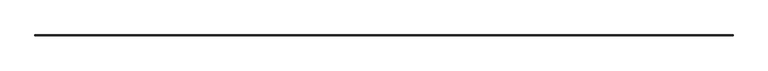
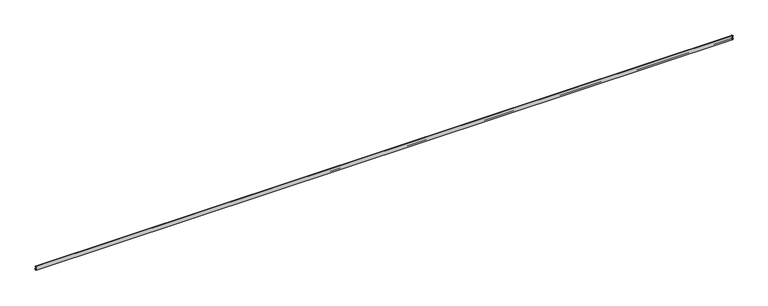
"""IFC4 building model written with IfcOpenShell, lengths in millimetres: railing geometry."""

from ifc_helpers import new_model, si_unit, frame, origin, place, context, project, spatial, polyline, circle_curve, ellipse_curve, source, transform, mapped, element, save
from ifc_brep_helpers import plane_surface, cylinder_surface, revolved_surface, advanced_brep


def railing_77345214(model_context):
    return source(origin(), model_context, "Body", "AdvancedBrep", [
        advanced_brep(
        [(25099.3178131, 72151.8280435, 833.0370183), (25100.1115631, 72152.6217935, 832.2432683), (6760.8211807, 72152.6217935, 832.2432683), (6761.6149307, 72151.8280435, 833.0370183), (25100.1115631, 72152.6217935, 830.6557683), (6760.8211807, 72152.6217935, 830.6557683), (25099.3178131, 72151.8280435, 829.8620183), (6761.6149307, 72151.8280435, 829.8620183), (25091.3803131, 72143.8905435, 829.8620183), (6769.5524307, 72143.8905435, 829.8620183), (25090.5865631, 72143.0967935, 830.6557683), (6770.3461807, 72143.0967935, 830.6557683), (25090.5865631, 72143.0967935, 832.2432683), (6770.3461807, 72143.0967935, 832.2432683), (25091.3803131, 72143.8905435, 833.0370183), (6769.5524307, 72143.8905435, 833.0370183), (25099.3178131, 72126.1828523, 833.0370183), (25091.3803131, 72126.1828523, 833.0370183), (25090.5865631, 72126.1828523, 832.2432683), (25090.5865631, 72126.1828523, 830.6557683), (25091.3803131, 72126.1828523, 829.8620183), (25099.3178131, 72126.1828523, 829.8620183), (25100.1115631, 72126.1828523, 830.6557683), (25100.1115631, 72126.1828523, 832.2432683), (6761.6149307, 72126.1828523, 833.0370183), (6760.8211807, 72126.1828523, 832.2432683), (6760.8211807, 72126.1828523, 830.6557683), (6761.6149307, 72126.1828523, 829.8620183), (6769.5524307, 72126.1828523, 829.8620183), (6770.3461807, 72126.1828523, 830.6557683), (6770.3461807, 72126.1828523, 832.2432683), (6769.5524307, 72126.1828523, 833.0370183)],
        [
            (0, 1, ellipse_curve(frame((25099.3178131, 72151.8280435, 832.2432683), z_axis=(-0.7071067811865461, 0.7071067811865488, 0.0), x_axis=(0.7071067811865489, 0.707106781186546, 0.0)), 1.122532, 0.79375)),
            (1, 2),
            (2, 3, ellipse_curve(frame((6761.6149307, 72151.8280435, 832.2432683), z_axis=(0.7071067811865488, 0.7071067811865461, 0.0), x_axis=(0.7071067811865462, -0.7071067811865487, 0.0)), 1.122532, 0.79375)),
            (3, 0),
            (1, 4),
            (4, 5),
            (5, 2),
            (4, 6, ellipse_curve(frame((25099.3178131, 72151.8280435, 830.6557683), z_axis=(-0.7071067811865461, 0.7071067811865488, 0.0), x_axis=(0.7071067811865489, 0.707106781186546, 0.0)), 1.122532, 0.79375)),
            (6, 7),
            (7, 5, ellipse_curve(frame((6761.6149307, 72151.8280435, 830.6557683), z_axis=(0.7071067811865488, 0.7071067811865461, 0.0), x_axis=(0.7071067811865462, -0.7071067811865487, 0.0)), 1.122532, 0.79375)),
            (6, 8),
            (8, 9),
            (9, 7),
            (8, 10, ellipse_curve(frame((25091.3803131, 72143.8905435, 830.6557683), z_axis=(-0.7071067811865461, 0.7071067811865488, 0.0), x_axis=(0.7071067811865489, 0.707106781186546, 0.0)), 1.122532, 0.79375)),
            (10, 11),
            (11, 9, ellipse_curve(frame((6769.5524307, 72143.8905435, 830.6557683), z_axis=(0.7071067811865488, 0.7071067811865461, 0.0), x_axis=(0.7071067811865462, -0.7071067811865487, 0.0)), 1.122532, 0.79375)),
            (10, 12),
            (12, 13),
            (13, 11),
            (12, 14, ellipse_curve(frame((25091.3803131, 72143.8905435, 832.2432683), z_axis=(-0.7071067811865461, 0.7071067811865488, 0.0), x_axis=(0.7071067811865489, 0.707106781186546, 0.0)), 1.122532, 0.79375)),
            (14, 15),
            (15, 13, ellipse_curve(frame((6769.5524307, 72143.8905435, 832.2432683), z_axis=(0.7071067811865488, 0.7071067811865461, 0.0), x_axis=(0.7071067811865462, -0.7071067811865487, 0.0)), 1.122532, 0.79375)),
            (14, 0),
            (3, 15),
            (16, 17),
            (17, 18, circle_curve(frame((25091.3803131, 72126.1828523, 832.2432683), z_axis=(0.0, -1.0, 0.0), x_axis=(-1.0, 0.0, 0.0)), 0.79375)),
            (18, 19),
            (19, 20, circle_curve(frame((25091.3803131, 72126.1828523, 830.6557683), z_axis=(0.0, -1.0, 0.0), x_axis=(0.0, 0.0, -1.0)), 0.79375)),
            (20, 21),
            (21, 22, circle_curve(frame((25099.3178131, 72126.1828523, 830.6557683), z_axis=(0.0, -1.0, 0.0), x_axis=(1.0, 0.0, 0.0)), 0.79375)),
            (22, 23),
            (23, 16, circle_curve(frame((25099.3178131, 72126.1828523, 832.2432683), z_axis=(0.0, -1.0, 0.0), x_axis=(0.0, 0.0, 1.0)), 0.79375)),
            (24, 25, circle_curve(frame((6761.6149307, 72126.1828523, 832.2432683), z_axis=(0.0, -1.0, 0.0), x_axis=(0.0, 0.0, 1.0)), 0.79375)),
            (25, 26),
            (26, 27, circle_curve(frame((6761.6149307, 72126.1828523, 830.6557683), z_axis=(0.0, -1.0, 0.0), x_axis=(-1.0, 0.0, 0.0)), 0.79375)),
            (27, 28),
            (28, 29, circle_curve(frame((6769.5524307, 72126.1828523, 830.6557683), z_axis=(0.0, -1.0, 0.0), x_axis=(0.0, 0.0, -1.0)), 0.79375)),
            (29, 30),
            (30, 31, circle_curve(frame((6769.5524307, 72126.1828523, 832.2432683), z_axis=(0.0, -1.0, 0.0), x_axis=(1.0, 0.0, 0.0)), 0.79375)),
            (31, 24),
            (16, 0),
            (14, 17),
            (12, 18),
            (10, 19),
            (8, 20),
            (6, 21),
            (4, 22),
            (1, 23),
            (3, 24),
            (31, 15),
            (30, 13),
            (29, 11),
            (28, 9),
            (27, 7),
            (26, 5),
            (25, 2),
        ],
        [
            cylinder_surface(frame((25074.4663719, 72151.8280435, 832.2432683), z_axis=(1.0, 0.0, 0.0), x_axis=(0.0, 0.0, 1.0)), 0.79375),
            plane_surface(frame((25100.1115631, 72152.6217935, 830.6557683), z_axis=(0.0, 1.0, 0.0), x_axis=(-1.0, 0.0, 0.0))),
            cylinder_surface(frame((25074.4663719, 72151.8280435, 830.6557683), z_axis=(1.0, 0.0, 0.0), x_axis=(0.0, 1.0, 0.0)), 0.79375),
            plane_surface(frame((25091.3803131, 72143.8905435, 829.8620183), z_axis=(0.0, 0.0, -1.0), x_axis=(-1.0, 0.0, 0.0))),
            cylinder_surface(frame((25074.4663719, 72143.8905435, 830.6557683), z_axis=(1.0, 0.0, 0.0), x_axis=(0.0, 0.0, -1.0)), 0.79375),
            plane_surface(frame((25090.5865631, 72143.0967935, 832.2432683), z_axis=(0.0, -1.0, 0.0), x_axis=(-1.0, 0.0, 0.0))),
            cylinder_surface(frame((25074.4663719, 72143.8905435, 832.2432683), z_axis=(1.0, 0.0, 0.0), x_axis=(0.0, -1.0, 0.0)), 0.79375),
            plane_surface(frame((25099.3178131, 72151.8280435, 833.0370183), z_axis=(0.0, 0.0, 1.0), x_axis=(-1.0, 0.0, 0.0))),
            plane_surface(frame((25074.4663719, 72126.1828523, 914.4), z_axis=(0.0, -1.0, 0.0), x_axis=(0.0, 0.0, 1.0))),
            plane_surface(frame((6786.4663719, 72126.1828523, 914.4), z_axis=(0.0, -1.0, 0.0), x_axis=(0.0, 0.0, -1.0))),
            plane_surface(frame((25099.3178131, 72126.1828523, 833.0370183), z_axis=(0.0, 0.0, 1.0), x_axis=(0.0, 1.0, 0.0))),
            cylinder_surface(frame((25091.3803131, 72126.1828523, 832.2432683), z_axis=(0.0, -1.0, 0.0), x_axis=(-1.0, 0.0, 0.0)), 0.79375),
            plane_surface(frame((25090.5865631, 72126.1828523, 832.2432683), z_axis=(-1.0, 0.0, 0.0), x_axis=(0.0, 1.0, 0.0))),
            cylinder_surface(frame((25091.3803131, 72126.1828523, 830.6557683), z_axis=(0.0, -1.0, 0.0), x_axis=(0.0, 0.0, -1.0)), 0.79375),
            plane_surface(frame((25091.3803131, 72126.1828523, 829.8620183), z_axis=(0.0, 0.0, -1.0), x_axis=(0.0, 1.0, 0.0))),
            cylinder_surface(frame((25099.3178131, 72126.1828523, 830.6557683), z_axis=(0.0, -1.0, 0.0), x_axis=(1.0, 0.0, 0.0)), 0.79375),
            plane_surface(frame((25100.1115631, 72126.1828523, 830.6557683), z_axis=(1.0, 0.0, 0.0), x_axis=(0.0, 1.0, 0.0))),
            cylinder_surface(frame((25099.3178131, 72126.1828523, 832.2432683), z_axis=(0.0, -1.0, 0.0), x_axis=(0.0, 0.0, 1.0)), 0.79375),
            plane_surface(frame((6761.6149307, 72151.8280435, 833.0370183), z_axis=(0.0, 0.0, 1.0), x_axis=(0.0, -1.0, 0.0))),
            cylinder_surface(frame((6769.5524307, 72126.9766023, 832.2432683), z_axis=(0.0, 1.0, 0.0), x_axis=(1.0, 0.0, 0.0)), 0.79375),
            plane_surface(frame((6770.3461807, 72143.0967935, 832.2432683), z_axis=(1.0, 0.0, 0.0), x_axis=(0.0, -1.0, 0.0))),
            cylinder_surface(frame((6769.5524307, 72126.9766023, 830.6557683), z_axis=(0.0, 1.0, 0.0), x_axis=(0.0, 0.0, -1.0)), 0.79375),
            plane_surface(frame((6769.5524307, 72143.8905435, 829.8620183), z_axis=(0.0, 0.0, -1.0), x_axis=(0.0, -1.0, 0.0))),
            cylinder_surface(frame((6761.6149307, 72126.9766023, 830.6557683), z_axis=(0.0, 1.0, 0.0), x_axis=(-1.0, 0.0, 0.0)), 0.79375),
            plane_surface(frame((6760.8211807, 72152.6217935, 830.6557683), z_axis=(-1.0, 0.0, 0.0), x_axis=(0.0, -1.0, 0.0))),
            cylinder_surface(frame((6761.6149307, 72126.9766023, 832.2432683), z_axis=(0.0, 1.0, 0.0), x_axis=(0.0, 0.0, 1.0)), 0.79375),
        ],
        [
            (0, [[1, 2, 3, 4]]),
            (1, [[5, 6, 7, -2]]),
            (2, [[8, 9, 10, -6]]),
            (3, [[11, 12, 13, -9]]),
            (4, [[14, 15, 16, -12]]),
            (5, [[17, 18, 19, -15]]),
            (6, [[20, 21, 22, -18]]),
            (7, [[23, -4, 24, -21]]),
            (8, [[25, 26, 27, 28, 29, 30, 31, 32]]),
            (9, [[33, 34, 35, 36, 37, 38, 39, 40]]),
            (10, [[-25, 41, -23, 42]]),
            (11, [[-26, -42, -20, 43]]),
            (12, [[-27, -43, -17, 44]]),
            (13, [[-28, -44, -14, 45]]),
            (14, [[-29, -45, -11, 46]]),
            (15, [[-30, -46, -8, 47]]),
            (16, [[-31, -47, -5, 48]]),
            (17, [[-32, -48, -1, -41]]),
            (18, [[-24, 49, -40, 50]]),
            (19, [[-22, -50, -39, 51]]),
            (20, [[-19, -51, -38, 52]]),
            (21, [[-16, -52, -37, 53]]),
            (22, [[-13, -53, -36, 54]]),
            (23, [[-10, -54, -35, 55]]),
            (24, [[-7, -55, -34, 56]]),
            (25, [[-3, -56, -33, -49]]),
        ],
    ),
        advanced_brep(
        [(25096.9235713, 72126.1828523, 838.1946672), (25084.8450539, 72126.1828523, 880.857434), (25085.3739098, 72126.1828523, 881.7316951), (25088.5517246, 72126.1828523, 886.9467091), (25089.0204444, 72126.1828523, 887.7923437), (25091.6652084, 72126.1828523, 893.59164), (25092.1400859, 72126.1828523, 894.5720659), (25098.2788719, 72126.1828523, 903.4748284), (25098.2788719, 72126.1828523, 905.66875), (25089.5476219, 72126.1828523, 914.4), (25074.4663719, 72126.1828523, 914.4), (25074.4663719, 72126.1828523, 800.1), (25085.0073719, 72126.1828523, 800.1), (25090.5636219, 72126.1828523, 805.65625), (25090.5636219, 72126.1828523, 810.5037049), (25091.7838967, 72126.1828523, 813.005639), (25092.8651668, 72126.1828523, 816.4367436), (25093.5590551, 72126.1828523, 819.5095463), (25098.2065631, 72126.1828523, 829.8620183), (25090.5865631, 72126.1828523, 829.8620183), (25090.5865631, 72126.1828523, 833.0370183), (25098.2065631, 72126.1828523, 833.0370183), (6764.0091725, 72126.1828523, 838.1946672), (6762.7261807, 72126.1828523, 833.0370183), (6770.3461807, 72126.1828523, 833.0370183), (6770.3461807, 72126.1828523, 829.8620183), (6762.7261807, 72126.1828523, 829.8620183), (6767.3736887, 72126.1828523, 819.5095463), (6768.067577, 72126.1828523, 816.4367436), (6769.1488471, 72126.1828523, 813.005639), (6770.3691219, 72126.1828523, 810.5037049), (6770.3691219, 72126.1828523, 805.65625), (6775.9253719, 72126.1828523, 800.1), (6786.4663719, 72126.1828523, 800.1), (6786.4663719, 72126.1828523, 914.4), (6771.3851219, 72126.1828523, 914.4), (6762.6538719, 72126.1828523, 905.66875), (6762.6538719, 72126.1828523, 903.4748284), (6768.7926579, 72126.1828523, 894.5720659), (6769.2675355, 72126.1828523, 893.59164), (6771.9122995, 72126.1828523, 887.7923437), (6772.3810193, 72126.1828523, 886.9467091), (6775.558834, 72126.1828523, 881.7316951), (6776.0876899, 72126.1828523, 880.857434), (25096.9235713, 72149.4338017, 838.1946672), (25098.2065631, 72150.7167935, 833.0370183), (6762.7261807, 72150.7167935, 833.0370183), (6764.0091725, 72149.4338017, 838.1946672), (25093.5590551, 72146.0692855, 819.5095463), (25092.8651668, 72145.3753972, 816.4367436), (6768.067577, 72145.3753972, 816.4367436), (6767.3736887, 72146.0692855, 819.5095463), (25091.7838967, 72144.2941271, 813.005639), (6769.1488471, 72144.2941271, 813.005639), (25090.5636219, 72143.0738523, 810.5037049), (6770.3691219, 72143.0738523, 810.5037049), (25090.5636219, 72143.0738523, 805.65625), (6770.3691219, 72143.0738523, 805.65625), (25085.0073719, 72137.5176023, 800.1), (6775.9253719, 72137.5176023, 800.1), (25074.4663719, 72126.9766023, 800.1), (6786.4663719, 72126.9766023, 800.1), (25074.4663719, 72126.9766023, 914.4), (6786.4663719, 72126.9766023, 914.4), (25089.5476219, 72142.0578523, 914.4), (6771.3851219, 72142.0578523, 914.4), (25098.2788719, 72150.7891023, 905.66875), (6762.6538719, 72150.7891023, 905.66875), (25098.2788719, 72150.7891023, 903.4748284), (6762.6538719, 72150.7891023, 903.4748284), (25092.1400859, 72144.6503163, 894.5720659), (6768.7926579, 72144.6503163, 894.5720659), (25091.6652084, 72144.1754388, 893.59164), (6769.2675355, 72144.1754388, 893.59164), (25089.0204444, 72141.5306747, 887.7923437), (6771.9122995, 72141.5306747, 887.7923437), (25088.5517246, 72141.0619549, 886.9467091), (6772.3810193, 72141.0619549, 886.9467091), (25085.3739098, 72137.8841402, 881.7316951), (6775.558834, 72137.8841402, 881.7316951), (25084.8450539, 72137.3552843, 880.857434), (6776.0876899, 72137.3552843, 880.857434), (25090.5865631, 72143.0967935, 833.0370183), (6770.3461807, 72143.0967935, 833.0370183), (25090.5865631, 72143.0967935, 829.8620183), (6770.3461807, 72143.0967935, 829.8620183), (25098.2065631, 72150.7167935, 829.8620183), (6762.7261807, 72150.7167935, 829.8620183)],
        [
            (0, 1, circle_curve(frame((25266.7813106, 72126.1828523, 909.3253279), z_axis=(0.0, 1.0, 0.0), x_axis=(-0.9879785867328373, 0.0, -0.15459078936788356)), 184.15)),
            (1, 2, circle_curve(frame((25085.6292619, 72126.1828523, 880.9801405), z_axis=(0.0, 1.0, 0.0), x_axis=(-0.32170338998640735, 0.0, 0.9468404981153128)), 0.79375)),
            (2, 3, circle_curve(frame((25083.8417974, 72126.1828523, 886.241023), z_axis=(0.0, -1.0, 0.0), x_axis=(0.9889610745416129, 0.0, 0.14817554805533395)), 4.7625)),
            (3, 4, circle_curve(frame((25089.3367124, 72126.1828523, 887.0643234), z_axis=(0.0, 1.0, 0.0), x_axis=(-0.39844793511985266, 0.0, 0.9171909523096735)), 0.79375)),
            (4, 5, circle_curve(frame((25087.1228361, 72126.1828523, 892.1604656), z_axis=(0.0, -1.0, 0.0), x_axis=(0.9537789610497382, 0.0, 0.30050905719941606)), 4.7625)),
            (5, 6, circle_curve(frame((25092.4222704, 72126.1828523, 893.8301691), z_axis=(0.0, 1.0, 0.0), x_axis=(-0.3555080317940694, 0.0, 0.934673225961837)), 0.79375)),
            (6, 7, circle_curve(frame((25088.7538719, 72126.1828523, 903.4748284), z_axis=(0.0, -1.0, 0.0), x_axis=(1.0, 0.0, 0.0)), 9.525)),
            (7, 8),
            (8, 9, circle_curve(frame((25089.5476219, 72126.1828523, 905.66875), z_axis=(0.0, -1.0, 0.0), x_axis=(0.0, 0.0, 1.0)), 8.73125)),
            (9, 10),
            (10, 11),
            (11, 12),
            (12, 13, circle_curve(frame((25085.0073719, 72126.1828523, 805.65625), z_axis=(0.0, -1.0, 0.0), x_axis=(1.0, 0.0, 0.0)), 5.55625)),
            (13, 14),
            (14, 15, circle_curve(frame((25093.7386219, 72126.1828523, 810.5037049), z_axis=(0.0, 1.0, 0.0), x_axis=(-0.6156614753254914, 0.0, 0.7880107536068524)), 3.175)),
            (15, 16, circle_curve(frame((25089.8291715, 72126.1828523, 815.5075732), z_axis=(0.0, -1.0, 0.0), x_axis=(0.9562189885214569, 0.0, 0.29265209035816225)), 3.175)),
            (16, 17, circle_curve(frame((25095.9011621, 72126.1828523, 817.3659139), z_axis=(0.0, 1.0, 0.0), x_axis=(-0.7376715092217798, 0.0, 0.6751597918141022)), 3.175)),
            (17, 18, circle_curve(frame((25080.8163719, 72126.1828523, 831.4495183), z_axis=(0.0, -1.0, 0.0), x_axis=(0.9223879408472844, 0.0, 0.3862647881693419)), 17.4625)),
            (18, 19),
            (19, 20),
            (20, 21),
            (21, 0, circle_curve(frame((25080.8163719, 72126.1828523, 831.4495183), z_axis=(0.0, -1.0, 0.0), x_axis=(0.9223879408472844, 0.0, 0.3862647881693419)), 17.4625)),
            (22, 23, circle_curve(frame((6780.1163719, 72126.1828523, 831.4495183), z_axis=(0.0, -1.0, 0.0), x_axis=(-0.9223879408472844, 0.0, 0.3862647881693419)), 17.4625)),
            (23, 24),
            (24, 25),
            (25, 26),
            (26, 27, circle_curve(frame((6780.1163719, 72126.1828523, 831.4495183), z_axis=(0.0, -1.0, 0.0), x_axis=(-0.9223879408472844, 0.0, 0.3862647881693419)), 17.4625)),
            (27, 28, circle_curve(frame((6765.0315817, 72126.1828523, 817.3659139), z_axis=(0.0, 1.0, 0.0), x_axis=(0.7376715092217798, 0.0, 0.6751597918141022)), 3.175)),
            (28, 29, circle_curve(frame((6771.1035723, 72126.1828523, 815.5075732), z_axis=(0.0, -1.0, 0.0), x_axis=(-0.9562189885214569, 0.0, 0.29265209035816225)), 3.175)),
            (29, 30, circle_curve(frame((6767.1941219, 72126.1828523, 810.5037049), z_axis=(0.0, 1.0, 0.0), x_axis=(0.6156614753254914, 0.0, 0.7880107536068524)), 3.175)),
            (30, 31),
            (31, 32, circle_curve(frame((6775.9253719, 72126.1828523, 805.65625), z_axis=(0.0, -1.0, 0.0), x_axis=(-1.0, 0.0, 0.0)), 5.55625)),
            (32, 33),
            (33, 34),
            (34, 35),
            (35, 36, circle_curve(frame((6771.3851219, 72126.1828523, 905.66875), z_axis=(0.0, -1.0, 0.0), x_axis=(0.0, 0.0, 1.0)), 8.73125)),
            (36, 37),
            (37, 38, circle_curve(frame((6772.1788719, 72126.1828523, 903.4748284), z_axis=(0.0, -1.0, 0.0), x_axis=(-1.0, 0.0, 0.0)), 9.525)),
            (38, 39, circle_curve(frame((6768.5104734, 72126.1828523, 893.8301691), z_axis=(0.0, 1.0, 0.0), x_axis=(0.3555080317940694, 0.0, 0.934673225961837)), 0.79375)),
            (39, 40, circle_curve(frame((6773.8099078, 72126.1828523, 892.1604656), z_axis=(0.0, -1.0, 0.0), x_axis=(-0.9537789610497382, 0.0, 0.30050905719941606)), 4.7625)),
            (40, 41, circle_curve(frame((6771.5960314, 72126.1828523, 887.0643234), z_axis=(0.0, 1.0, 0.0), x_axis=(0.39844793511985266, 0.0, 0.9171909523096735)), 0.79375)),
            (41, 42, circle_curve(frame((6777.0909464, 72126.1828523, 886.241023), z_axis=(0.0, -1.0, 0.0), x_axis=(-0.9889610745416129, 0.0, 0.14817554805533395)), 4.7625)),
            (42, 43, circle_curve(frame((6775.3034819, 72126.1828523, 880.9801405), z_axis=(0.0, 1.0, 0.0), x_axis=(0.32170338998640735, 0.0, 0.9468404981153128)), 0.79375)),
            (43, 22, circle_curve(frame((6594.1514332, 72126.1828523, 909.3253279), z_axis=(0.0, 1.0, 0.0), x_axis=(0.9879785867328373, 0.0, -0.15459078936788356)), 184.15)),
            (44, 45, ellipse_curve(frame((25080.8163719, 72133.3266023, 831.4495183), z_axis=(-0.7071067811865461, 0.7071067811865488, 0.0), x_axis=(0.7071067811865489, 0.707106781186546, 0.0)), 24.6957043, 17.4625)),
            (45, 46),
            (46, 47, ellipse_curve(frame((6780.1163719, 72133.3266023, 831.4495183), z_axis=(0.7071067811865488, 0.7071067811865461, 0.0), x_axis=(0.7071067811865462, -0.7071067811865487, 0.0)), 24.6957043, 17.4625)),
            (47, 44),
            (48, 49, ellipse_curve(frame((25095.9011621, 72148.4113925, 817.3659139), z_axis=(0.7071067811865461, -0.7071067811865488, 0.0), x_axis=(-0.7071067811865489, -0.707106781186546, 0.0)), 4.4901281, 3.175)),
            (49, 50),
            (50, 51, ellipse_curve(frame((6765.0315817, 72148.4113925, 817.3659139), z_axis=(-0.7071067811865488, -0.7071067811865461, 0.0), x_axis=(-0.7071067811865462, 0.7071067811865487, 0.0)), 4.4901281, 3.175)),
            (51, 48),
            (49, 52, ellipse_curve(frame((25089.8291715, 72142.3394019, 815.5075732), z_axis=(-0.7071067811865461, 0.7071067811865488, 0.0), x_axis=(0.7071067811865489, 0.707106781186546, 0.0)), 4.4901281, 3.175)),
            (52, 53),
            (53, 50, ellipse_curve(frame((6771.1035723, 72142.3394019, 815.5075732), z_axis=(0.7071067811865488, 0.7071067811865461, 0.0), x_axis=(0.7071067811865462, -0.7071067811865487, 0.0)), 4.4901281, 3.175)),
            (52, 54, ellipse_curve(frame((25093.7386219, 72146.2488523, 810.5037049), z_axis=(0.7071067811865461, -0.7071067811865488, 0.0), x_axis=(-0.7071067811865489, -0.707106781186546, 0.0)), 4.4901281, 3.175)),
            (54, 55),
            (55, 53, ellipse_curve(frame((6767.1941219, 72146.2488523, 810.5037049), z_axis=(-0.7071067811865488, -0.7071067811865461, 0.0), x_axis=(-0.7071067811865462, 0.7071067811865487, 0.0)), 4.4901281, 3.175)),
            (54, 56),
            (56, 57),
            (57, 55),
            (56, 58, ellipse_curve(frame((25085.0073719, 72137.5176023, 805.65625), z_axis=(-0.7071067811865461, 0.7071067811865488, 0.0), x_axis=(0.7071067811865489, 0.707106781186546, 0.0)), 7.8577241, 5.55625)),
            (58, 59),
            (59, 57, ellipse_curve(frame((6775.9253719, 72137.5176023, 805.65625), z_axis=(0.7071067811865488, 0.7071067811865461, 0.0), x_axis=(0.7071067811865462, -0.7071067811865487, 0.0)), 7.8577241, 5.55625)),
            (58, 60),
            (60, 61),
            (61, 59),
            (60, 62),
            (62, 63),
            (63, 61),
            (62, 64),
            (64, 65),
            (65, 63),
            (64, 66, ellipse_curve(frame((25089.5476219, 72142.0578523, 905.66875), z_axis=(-0.7071067811865461, 0.7071067811865488, 0.0), x_axis=(0.7071067811865489, 0.707106781186546, 0.0)), 12.3478522, 8.73125)),
            (66, 67),
            (67, 65, ellipse_curve(frame((6771.3851219, 72142.0578523, 905.66875), z_axis=(0.7071067811865488, 0.7071067811865461, 0.0), x_axis=(0.7071067811865462, -0.7071067811865487, 0.0)), 12.3478522, 8.73125)),
            (66, 68),
            (68, 69),
            (69, 67),
            (68, 70, ellipse_curve(frame((25088.7538719, 72141.2641023, 903.4748284), z_axis=(-0.7071067811865461, 0.7071067811865488, 0.0), x_axis=(0.7071067811865489, 0.707106781186546, 0.0)), 13.4703842, 9.525)),
            (70, 71),
            (71, 69, ellipse_curve(frame((6772.1788719, 72141.2641023, 903.4748284), z_axis=(0.7071067811865488, 0.7071067811865461, 0.0), x_axis=(0.7071067811865462, -0.7071067811865487, 0.0)), 13.4703842, 9.525)),
            (70, 72, ellipse_curve(frame((25092.4222704, 72144.9325008, 893.8301691), z_axis=(0.7071067811865461, -0.7071067811865488, 0.0), x_axis=(-0.7071067811865489, -0.707106781186546, 0.0)), 1.122532, 0.79375)),
            (72, 73),
            (73, 71, ellipse_curve(frame((6768.5104734, 72144.9325008, 893.8301691), z_axis=(-0.7071067811865488, -0.7071067811865461, 0.0), x_axis=(-0.7071067811865462, 0.7071067811865487, 0.0)), 1.122532, 0.79375)),
            (72, 74, ellipse_curve(frame((25087.1228361, 72139.6330665, 892.1604656), z_axis=(-0.7071067811865461, 0.7071067811865488, 0.0), x_axis=(0.7071067811865489, 0.707106781186546, 0.0)), 6.7351921, 4.7625)),
            (74, 75),
            (75, 73, ellipse_curve(frame((6773.8099078, 72139.6330665, 892.1604656), z_axis=(0.7071067811865488, 0.7071067811865461, 0.0), x_axis=(0.7071067811865462, -0.7071067811865487, 0.0)), 6.7351921, 4.7625)),
            (74, 76, ellipse_curve(frame((25089.3367124, 72141.8469428, 887.0643234), z_axis=(0.7071067811865461, -0.7071067811865488, 0.0), x_axis=(-0.7071067811865489, -0.707106781186546, 0.0)), 1.122532, 0.79375)),
            (76, 77),
            (77, 75, ellipse_curve(frame((6771.5960314, 72141.8469428, 887.0643234), z_axis=(-0.7071067811865488, -0.7071067811865461, 0.0), x_axis=(-0.7071067811865462, 0.7071067811865487, 0.0)), 1.122532, 0.79375)),
            (76, 78, ellipse_curve(frame((25083.8417974, 72136.3520278, 886.241023), z_axis=(-0.7071067811865461, 0.7071067811865488, 0.0), x_axis=(0.7071067811865489, 0.707106781186546, 0.0)), 6.7351921, 4.7625)),
            (78, 79),
            (79, 77, ellipse_curve(frame((6777.0909464, 72136.3520278, 886.241023), z_axis=(0.7071067811865488, 0.7071067811865461, 0.0), x_axis=(0.7071067811865462, -0.7071067811865487, 0.0)), 6.7351921, 4.7625)),
            (78, 80, ellipse_curve(frame((25085.6292619, 72138.1394923, 880.9801405), z_axis=(0.7071067811865461, -0.7071067811865488, 0.0), x_axis=(-0.7071067811865489, -0.707106781186546, 0.0)), 1.122532, 0.79375)),
            (80, 81),
            (81, 79, ellipse_curve(frame((6775.3034819, 72138.1394923, 880.9801405), z_axis=(-0.7071067811865488, -0.7071067811865461, 0.0), x_axis=(-0.7071067811865462, 0.7071067811865487, 0.0)), 1.122532, 0.79375)),
            (45, 82),
            (82, 83),
            (83, 46),
            (82, 84),
            (84, 85),
            (85, 83),
            (84, 86),
            (86, 87),
            (87, 85),
            (86, 48, ellipse_curve(frame((25080.8163719, 72133.3266023, 831.4495183), z_axis=(-0.7071067811865461, 0.7071067811865488, 0.0), x_axis=(0.7071067811865489, 0.707106781186546, 0.0)), 24.6957043, 17.4625)),
            (51, 87, ellipse_curve(frame((6780.1163719, 72133.3266023, 831.4495183), z_axis=(0.7071067811865488, 0.7071067811865461, 0.0), x_axis=(0.7071067811865462, -0.7071067811865487, 0.0)), 24.6957043, 17.4625)),
            (80, 44, ellipse_curve(frame((25266.7813106, 72319.291541, 909.3253279), z_axis=(0.7071067811865461, -0.7071067811865488, 0.0), x_axis=(-0.7071067811865489, -0.707106781186546, 0.0)), 260.4274275, 184.15)),
            (47, 81, ellipse_curve(frame((6594.1514332, 72319.291541, 909.3253279), z_axis=(-0.7071067811865488, -0.7071067811865461, 0.0), x_axis=(-0.7071067811865462, 0.7071067811865487, 0.0)), 260.4274275, 184.15)),
            (0, 44),
            (80, 1),
            (21, 45),
            (47, 22),
            (43, 81),
            (46, 23),
            (78, 2),
            (76, 3),
            (74, 4),
            (72, 5),
            (70, 6),
            (68, 7),
            (66, 8),
            (64, 9),
            (62, 10),
            (60, 11),
            (58, 12),
            (56, 13),
            (54, 14),
            (52, 15),
            (49, 16),
            (48, 17),
            (42, 79),
            (41, 77),
            (40, 75),
            (39, 73),
            (38, 71),
            (37, 69),
            (36, 67),
            (35, 65),
            (34, 63),
            (33, 61),
            (32, 59),
            (31, 57),
            (30, 55),
            (29, 53),
            (28, 50),
            (27, 51),
            (86, 18),
            (84, 19),
            (82, 20),
            (26, 87),
            (25, 85),
            (24, 83),
        ],
        [
            plane_surface(frame((25074.4663719, 72126.1828523, 914.4), z_axis=(0.0, -1.0, 0.0), x_axis=(0.0, 0.0, 1.0))),
            plane_surface(frame((6786.4663719, 72126.1828523, 914.4), z_axis=(0.0, -1.0, 0.0), x_axis=(0.0, 0.0, -1.0))),
            cylinder_surface(frame((25074.4663719, 72133.3266023, 831.4495183), z_axis=(1.0, 0.0, 0.0), x_axis=(0.0, 0.9223879408472844, 0.3862647881693419)), 17.4625),
            revolved_surface(polyline([(6761.8565816720875, 72146.06928545822, 819.5095462390098), (25099.076162127905, 72146.06928545822, 819.5095462390098)]), (25074.4663719, 72148.4113925, 817.3659139), (-1.0000000000000002, 0.0, 0.0)),
            cylinder_surface(frame((25074.4663719, 72142.3394019, 815.5075732), z_axis=(1.0, 0.0, 0.0), x_axis=(0.0, 0.9562189885214569, 0.29265209035816225)), 3.175),
            revolved_surface(polyline([(6764.019121872094, 72144.29412711585, 813.0056390427018), (25096.913621927906, 72144.29412711585, 813.0056390427018)]), (25074.4663719, 72146.2488523, 810.5037049), (-1.0, 0.0, 0.0)),
            plane_surface(frame((25090.5636219, 72143.0738523, 805.65625), z_axis=(0.0, 1.0, 0.0), x_axis=(-1.0, 0.0, 0.0))),
            cylinder_surface(frame((25074.4663719, 72137.5176023, 805.65625), z_axis=(1.0, 0.0, 0.0), x_axis=(0.0, 1.0, 0.0)), 5.55625),
            plane_surface(frame((25074.4663719, 72126.9766023, 800.1), z_axis=(0.0, 0.0, -1.0), x_axis=(-1.0, 0.0, 0.0))),
            plane_surface(frame((25074.4663719, 72126.9766023, 914.4), z_axis=(0.0, -1.0, 0.0), x_axis=(-1.0, 0.0, 0.0))),
            plane_surface(frame((25089.5476219, 72142.0578523, 914.4), z_axis=(0.0, 0.0, 1.0), x_axis=(-1.0, 0.0, 0.0))),
            cylinder_surface(frame((25074.4663719, 72142.0578523, 905.66875), z_axis=(1.0, 0.0, 0.0), x_axis=(0.0, 0.0, 1.0)), 8.73125),
            plane_surface(frame((25098.2788719, 72150.7891023, 903.4748284), z_axis=(0.0, 1.0, 0.0), x_axis=(-1.0, 0.0, 0.0))),
            cylinder_surface(frame((25074.4663719, 72141.2641023, 903.4748284), z_axis=(1.0, 0.0, 0.0), x_axis=(0.0, 1.0, 0.0)), 9.525),
            revolved_surface(polyline([(6767.716723410696, 72144.65031629977, 894.5720659731072), (25093.216020389296, 72144.65031629977, 894.5720659731072)]), (25074.4663719, 72144.9325008, 893.8301691), (-1.0000000000000002, 0.0, 0.0)),
            cylinder_surface(frame((25074.4663719, 72139.6330665, 892.1604656), z_axis=(1.0, 0.0, 0.0), x_axis=(0.0, 0.9537789610497382, 0.30050905719941606)), 4.7625),
            revolved_surface(polyline([(6770.802281410703, 72141.5306747515, 887.7923437183958), (25090.130462389297, 72141.5306747515, 887.7923437183958)]), (25074.4663719, 72141.8469428, 887.0643234), (-1.0, 0.0, 0.0)),
            cylinder_surface(frame((25074.4663719, 72136.3520278, 886.241023), z_axis=(1.0000000000000002, 0.0, 0.0), x_axis=(0.0, 0.9889610745416129, 0.14817554805533395)), 4.7625),
            revolved_surface(polyline([(6774.509731910701, 72137.88414023421, 881.7316951453789), (25086.4230118893, 72137.88414023421, 881.7316951453789)]), (25074.4663719, 72138.1394923, 880.9801405), (-1.0, 0.0, 0.0)),
            plane_surface(frame((25090.5865631, 72143.0967935, 833.0370183), z_axis=(0.0, 0.0, -1.0), x_axis=(-1.0, 0.0, 0.0))),
            plane_surface(frame((25090.5865631, 72143.0967935, 829.8620183), z_axis=(0.0, 1.0, 0.0), x_axis=(-1.0, 0.0, 0.0))),
            plane_surface(frame((25098.2065631, 72150.7167935, 829.8620183), z_axis=(0.0, 0.0, 1.0), x_axis=(-1.0, 0.0, 0.0))),
            revolved_surface(polyline([(6410.001433207784, 72137.35528425315, 880.8574340379043), (25450.93131059222, 72137.35528425315, 880.8574340379043)]), (25074.4663719, 72319.291541, 909.3253279), (-1.0, 0.0, 0.0)),
            revolved_surface(polyline([(25084.845053853147, 72503.44154099222, 880.8574340379043), (25084.845053853147, 72126.1828523, 880.8574340379043)]), (25266.7813106, 72126.1828523, 909.3253279), (0.0, 1.0, 0.0)),
            cylinder_surface(frame((25080.8163719, 72126.1828523, 831.4495183), z_axis=(0.0, -1.0, 0.0), x_axis=(0.9223879408472844, 0.0, 0.3862647881693419)), 17.4625),
            revolved_surface(polyline([(6776.087689946851, 72126.1828523, 880.8574340379043), (6776.087689946851, 72503.44154099222, 880.8574340379043)]), (6594.1514332, 72126.9766023, 909.3253279), (0.0, -1.0, 0.0)),
            cylinder_surface(frame((6780.1163719, 72126.9766023, 831.4495183), z_axis=(0.0, 1.0, 0.0), x_axis=(-0.9223879408472844, 0.0, 0.3862647881693419)), 17.4625),
            revolved_surface(polyline([(25085.3739098342, 72138.9332422893, 881.7316951453789), (25085.3739098342, 72126.1828523, 881.7316951453789)]), (25085.6292619, 72126.1828523, 880.9801405), (0.0, 1.0, 0.0)),
            cylinder_surface(frame((25083.8417974, 72126.1828523, 886.241023), z_axis=(0.0, -1.0000000000000002, 0.0), x_axis=(0.9889610745416129, 0.0, 0.14817554805533395)), 4.7625),
            revolved_surface(polyline([(25089.0204443515, 72142.6406927893, 887.7923437183958), (25089.0204443515, 72126.1828523, 887.7923437183958)]), (25089.3367124, 72126.1828523, 887.0643234), (0.0, 1.0, 0.0)),
            cylinder_surface(frame((25087.1228361, 72126.1828523, 892.1604656), z_axis=(0.0, -1.0, 0.0), x_axis=(0.9537789610497382, 0.0, 0.30050905719941606)), 4.7625),
            revolved_surface(polyline([(25092.140085899762, 72145.7262507893, 894.5720659731072), (25092.140085899762, 72126.1828523, 894.5720659731072)]), (25092.4222704, 72126.1828523, 893.8301691), (0.0, 1.0000000000000002, 0.0)),
            cylinder_surface(frame((25088.7538719, 72126.1828523, 903.4748284), z_axis=(0.0, -1.0, 0.0), x_axis=(1.0, 0.0, 0.0)), 9.525),
            plane_surface(frame((25098.2788719, 72126.1828523, 903.4748284), z_axis=(1.0, 0.0, 0.0), x_axis=(0.0, 1.0, 0.0))),
            cylinder_surface(frame((25089.5476219, 72126.1828523, 905.66875), z_axis=(0.0, -1.0, 0.0), x_axis=(0.0, 0.0, 1.0)), 8.73125),
            plane_surface(frame((25089.5476219, 72126.1828523, 914.4), z_axis=(0.0, 0.0, 1.0), x_axis=(0.0, 1.0, 0.0))),
            plane_surface(frame((25074.4663719, 72126.1828523, 914.4), z_axis=(-1.0, 0.0, 0.0), x_axis=(0.0, 1.0, 0.0))),
            plane_surface(frame((25074.4663719, 72126.1828523, 800.1), z_axis=(0.0, 0.0, -1.0), x_axis=(0.0, 1.0, 0.0))),
            cylinder_surface(frame((25085.0073719, 72126.1828523, 805.65625), z_axis=(0.0, -1.0, 0.0), x_axis=(1.0, 0.0, 0.0)), 5.55625),
            plane_surface(frame((25090.5636219, 72126.1828523, 805.65625), z_axis=(1.0, 0.0, 0.0), x_axis=(0.0, 1.0, 0.0))),
            revolved_surface(polyline([(25091.783896715842, 72149.42385232792, 813.0056390427018), (25091.783896715842, 72126.1828523, 813.0056390427018)]), (25093.7386219, 72126.1828523, 810.5037049), (0.0, 1.0, 0.0)),
            cylinder_surface(frame((25089.8291715, 72126.1828523, 815.5075732), z_axis=(0.0, -1.0, 0.0), x_axis=(0.9562189885214569, 0.0, 0.29265209035816225)), 3.175),
            revolved_surface(polyline([(25093.55905505822, 72151.58639252791, 819.5095462390098), (25093.55905505822, 72126.1828523, 819.5095462390098)]), (25095.9011621, 72126.1828523, 817.3659139), (0.0, 1.0000000000000002, 0.0)),
            revolved_surface(polyline([(6775.5588339658025, 72126.1828523, 881.7316951453789), (6775.5588339658025, 72138.9332422893, 881.7316951453789)]), (6775.3034819, 72126.9766023, 880.9801405), (0.0, -1.0, 0.0)),
            cylinder_surface(frame((6777.0909464, 72126.9766023, 886.241023), z_axis=(0.0, 1.0000000000000002, 0.0), x_axis=(-0.9889610745416129, 0.0, 0.14817554805533395)), 4.7625),
            revolved_surface(polyline([(6771.9122994485015, 72126.1828523, 887.7923437183958), (6771.9122994485015, 72142.6406927893, 887.7923437183958)]), (6771.5960314, 72126.9766023, 887.0643234), (0.0, -1.0, 0.0)),
            cylinder_surface(frame((6773.8099078, 72126.9766023, 892.1604656), z_axis=(0.0, 1.0, 0.0), x_axis=(-0.9537789610497382, 0.0, 0.30050905719941606)), 4.7625),
            revolved_surface(polyline([(6768.792657900236, 72126.1828523, 894.5720659731072), (6768.792657900236, 72145.7262507893, 894.5720659731072)]), (6768.5104734, 72126.9766023, 893.8301691), (0.0, -1.0000000000000002, 0.0)),
            cylinder_surface(frame((6772.1788719, 72126.9766023, 903.4748284), z_axis=(0.0, 1.0, 0.0), x_axis=(-1.0, 0.0, 0.0)), 9.525),
            plane_surface(frame((6762.6538719, 72150.7891023, 903.4748284), z_axis=(-1.0, 0.0, 0.0), x_axis=(0.0, -1.0, 0.0))),
            cylinder_surface(frame((6771.3851219, 72126.9766023, 905.66875), z_axis=(0.0, 1.0, 0.0), x_axis=(0.0, 0.0, 1.0)), 8.73125),
            plane_surface(frame((6771.3851219, 72142.0578523, 914.4), z_axis=(0.0, 0.0, 1.0), x_axis=(0.0, -1.0, 0.0))),
            plane_surface(frame((6786.4663719, 72126.9766023, 914.4), z_axis=(1.0, -2.728484105388268e-12, 0.0), x_axis=(-2.728484105388268e-12, -1.0, 0.0))),
            plane_surface(frame((6786.4663719, 72126.9766023, 800.1), z_axis=(0.0, 0.0, -1.0), x_axis=(-2.728484105388268e-12, -1.0, 0.0))),
            cylinder_surface(frame((6775.9253719, 72126.9766023, 805.65625), z_axis=(0.0, 1.0, 0.0), x_axis=(-1.0, 0.0, 0.0)), 5.55625),
            plane_surface(frame((6770.3691219, 72143.0738523, 805.65625), z_axis=(-1.0, 0.0, 0.0), x_axis=(0.0, -1.0, 0.0))),
            revolved_surface(polyline([(6769.148847084159, 72126.1828523, 813.0056390427018), (6769.148847084159, 72149.42385232792, 813.0056390427018)]), (6767.1941219, 72126.9766023, 810.5037049), (0.0, -1.0, 0.0)),
            cylinder_surface(frame((6771.1035723, 72126.9766023, 815.5075732), z_axis=(0.0, 1.0, 0.0), x_axis=(-0.9562189885214569, 0.0, 0.29265209035816225)), 3.175),
            revolved_surface(polyline([(6767.373688741779, 72126.1828523, 819.5095462390098), (6767.373688741779, 72151.58639252791, 819.5095462390098)]), (6765.0315817, 72126.9766023, 817.3659139), (0.0, -1.0000000000000002, 0.0)),
            plane_surface(frame((25098.2065631, 72126.1828523, 829.8620183), z_axis=(0.0, 0.0, 1.0), x_axis=(0.0, 1.0, 0.0))),
            plane_surface(frame((25090.5865631, 72126.1828523, 829.8620183), z_axis=(1.0, 0.0, 0.0), x_axis=(0.0, 1.0, 0.0))),
            plane_surface(frame((25090.5865631, 72126.1828523, 833.0370183), z_axis=(0.0, 0.0, -1.0), x_axis=(0.0, 1.0, 0.0))),
            plane_surface(frame((6762.7261807, 72150.7167935, 829.8620183), z_axis=(0.0, 0.0, 1.0), x_axis=(0.0, -1.0, 0.0))),
            plane_surface(frame((6770.3461807, 72143.0967935, 829.8620183), z_axis=(-1.0, 0.0, 0.0), x_axis=(0.0, -1.0, 0.0))),
            plane_surface(frame((6770.3461807, 72143.0967935, 833.0370183), z_axis=(0.0, 0.0, -1.0), x_axis=(0.0, -1.0, 0.0))),
        ],
        [
            (0, [[1, 2, 3, 4, 5, 6, 7, 8, 9, 10, 11, 12, 13, 14, 15, 16, 17, 18, 19, 20, 21, 22]]),
            (1, [[23, 24, 25, 26, 27, 28, 29, 30, 31, 32, 33, 34, 35, 36, 37, 38, 39, 40, 41, 42, 43, 44]]),
            (2, [[45, 46, 47, 48]]),
            (3, [[49, 50, 51, 52]]),
            (4, [[53, 54, 55, -50]]),
            (5, [[56, 57, 58, -54]]),
            (6, [[59, 60, 61, -57]]),
            (7, [[62, 63, 64, -60]]),
            (8, [[65, 66, 67, -63]]),
            (9, [[68, 69, 70, -66]]),
            (10, [[71, 72, 73, -69]]),
            (11, [[74, 75, 76, -72]]),
            (12, [[77, 78, 79, -75]]),
            (13, [[80, 81, 82, -78]]),
            (14, [[83, 84, 85, -81]]),
            (15, [[86, 87, 88, -84]]),
            (16, [[89, 90, 91, -87]]),
            (17, [[92, 93, 94, -90]]),
            (18, [[95, 96, 97, -93]]),
            (19, [[98, 99, 100, -46]]),
            (20, [[101, 102, 103, -99]]),
            (21, [[104, 105, 106, -102]]),
            (2, [[107, -52, 108, -105]]),
            (22, [[109, -48, 110, -96]]),
            (23, [[-1, 111, -109, 112]]),
            (24, [[-22, 113, -45, -111]]),
            (25, [[-110, 114, -44, 115]]),
            (26, [[-47, 116, -23, -114]]),
            (27, [[-2, -112, -95, 117]]),
            (28, [[-3, -117, -92, 118]]),
            (29, [[-4, -118, -89, 119]]),
            (30, [[-5, -119, -86, 120]]),
            (31, [[-6, -120, -83, 121]]),
            (32, [[-7, -121, -80, 122]]),
            (33, [[-8, -122, -77, 123]]),
            (34, [[-9, -123, -74, 124]]),
            (35, [[-10, -124, -71, 125]]),
            (36, [[-11, -125, -68, 126]]),
            (37, [[-12, -126, -65, 127]]),
            (38, [[-13, -127, -62, 128]]),
            (39, [[-14, -128, -59, 129]]),
            (40, [[-15, -129, -56, 130]]),
            (41, [[-16, -130, -53, 131]]),
            (42, [[-17, -131, -49, 132]]),
            (43, [[-97, -115, -43, 133]]),
            (44, [[-94, -133, -42, 134]]),
            (45, [[-91, -134, -41, 135]]),
            (46, [[-88, -135, -40, 136]]),
            (47, [[-85, -136, -39, 137]]),
            (48, [[-82, -137, -38, 138]]),
            (49, [[-79, -138, -37, 139]]),
            (50, [[-76, -139, -36, 140]]),
            (51, [[-73, -140, -35, 141]]),
            (52, [[-70, -141, -34, 142]]),
            (53, [[-67, -142, -33, 143]]),
            (54, [[-64, -143, -32, 144]]),
            (55, [[-61, -144, -31, 145]]),
            (56, [[-58, -145, -30, 146]]),
            (57, [[-55, -146, -29, 147]]),
            (58, [[-51, -147, -28, 148]]),
            (24, [[-18, -132, -107, 149]]),
            (59, [[-19, -149, -104, 150]]),
            (60, [[-20, -150, -101, 151]]),
            (61, [[-21, -151, -98, -113]]),
            (26, [[-108, -148, -27, 152]]),
            (62, [[-106, -152, -26, 153]]),
            (63, [[-103, -153, -25, 154]]),
            (64, [[-100, -154, -24, -116]]),
        ],
    ),
    ])


if __name__ == "__main__":
    model = new_model("IFC4")
    model_context = context("Model", 3, world=origin())
    ifc_project = project(units=[si_unit("LENGTHUNIT", "METRE", prefix="MILLI")], contexts=[model_context])
    site = spatial("IfcSite", under=ifc_project)
    building = spatial("IfcBuilding", under=site)
    placement = place(None, origin())
    railing_shape = railing_77345214(model_context)
    element("IfcRailing", 1, at=placement, inside=building, context=model_context, shape_type="MappedRepresentation", body=[
        mapped(railing_shape, transform((0.0, 0.0, 0.0), x_axis=(1.0, 0.0, 0.0), y_axis=(0.0, 1.0, 0.0), z_axis=(0.0, 0.0, 1.0))),
    ])
    save(model, "model.ifc")
